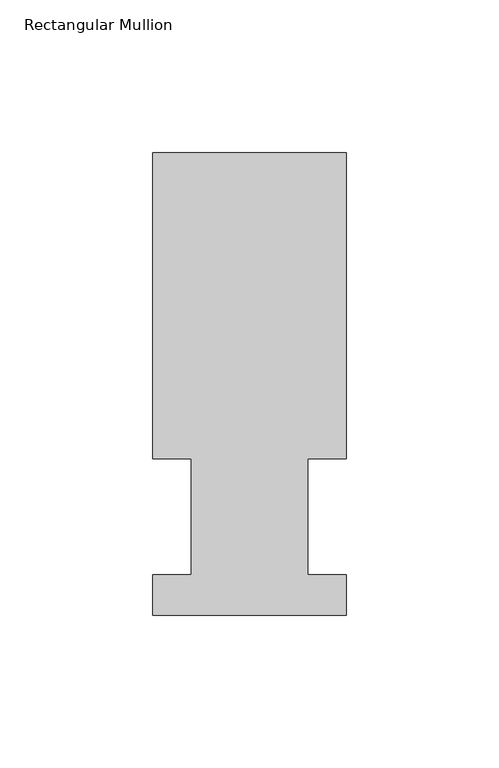
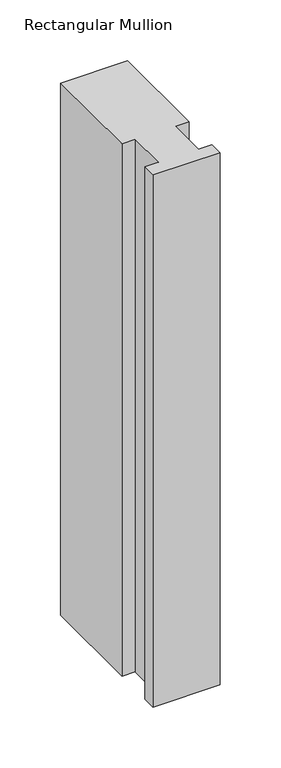
"""IFC4 building model written with IfcOpenShell, lengths in millimetres: member geometry, Rectangular Mullion."""

from ifc_helpers import new_model, si_unit, frame, origin, place, context, project, spatial, polyline, outline, extrude, source, transform, mapped, element, save


def rectangular_mullion_67ce566f(model_context):
    return source(origin(), model_context, "Body", "SweptSolid", [
        extrude(outline(polyline([(-1e-07, 13.1960936), (-2e-07, 0.0134936), (-63.5000001, 0.0134937), (-63.5000001, 13.1960937), (-50.8000001, 13.1960937), (-50.8, 51.2960937), (-63.5000001, 51.2960937), (-63.4999999, 151.7022937), (1e-07, 151.7022936), (-1e-07, 51.2960936), (-12.6873, 51.2960936), (-12.6873001, 13.1960936), (-1e-07, 13.1960936)])), frame((0.0, 0.0, -533.36825), z_axis=(0.0, 0.0, 1.0), x_axis=(1.0, 0.0, 0.0)), (0.0, 0.0, 1.0), 533.36825),
    ])


if __name__ == "__main__":
    model = new_model("IFC4")
    model_context = context("Model", 3, world=origin())
    ifc_project = project(units=[si_unit("LENGTHUNIT", "METRE", prefix="MILLI")], contexts=[model_context])
    site = spatial("IfcSite", under=ifc_project)
    building = spatial("IfcBuilding", under=site)
    placement = place(None, origin())
    rectangular_mullion_shape = rectangular_mullion_67ce566f(model_context)
    element("IfcMember", 1, ObjectType="Rectangular Mullion", at=placement, inside=building, context=model_context, shape_type="MappedRepresentation", body=[
        mapped(rectangular_mullion_shape, transform((0.0, 0.0, 0.0), x_axis=(1.0, 0.0, 0.0), y_axis=(0.0, 1.0, 0.0), z_axis=(0.0, 0.0, 1.0))),
    ])
    save(model, "model.ifc")
